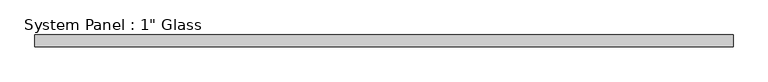
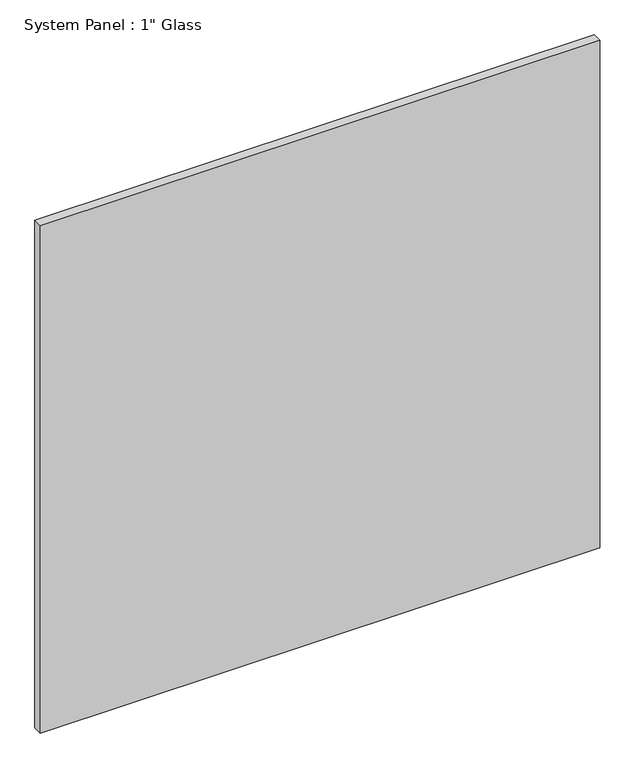
"""IFC4 building model written with IfcOpenShell, lengths in millimetres: plate geometry."""

from ifc_helpers import new_model, si_unit, origin, origin_with_axes, place, context, project, spatial, polyline, outline, extrude, source, transform, mapped, element, save


def plate_6e5e0575(model_context):
    return source(origin(), model_context, "Body", "SweptSolid", [
        extrude(outline(polyline([(742.9508852, -12.7), (-742.9508852, -12.7), (-742.9508852, 12.7), (742.9508852, 12.7), (742.9508852, -12.7)])), origin_with_axes(), (0.0, 0.0, 1.0), 1424.9417704),
    ])


if __name__ == "__main__":
    model = new_model("IFC4")
    model_context = context("Model", 3, world=origin())
    ifc_project = project(units=[si_unit("LENGTHUNIT", "METRE", prefix="MILLI")], contexts=[model_context])
    site = spatial("IfcSite", under=ifc_project)
    building = spatial("IfcBuilding", under=site)
    placement = place(None, origin())
    plate_shape = plate_6e5e0575(model_context)
    element("IfcPlate", 1, ObjectType="System Panel : 1\" Glass", at=placement, inside=building, context=model_context, shape_type="MappedRepresentation", body=[
        mapped(plate_shape, transform((0.0, 0.0, 0.0), x_axis=(1.0, 0.0, 0.0), y_axis=(0.0, 1.0, 0.0), z_axis=(0.0, 0.0, 1.0))),
    ])
    save(model, "model.ifc")
